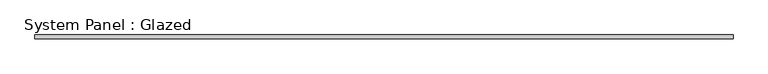
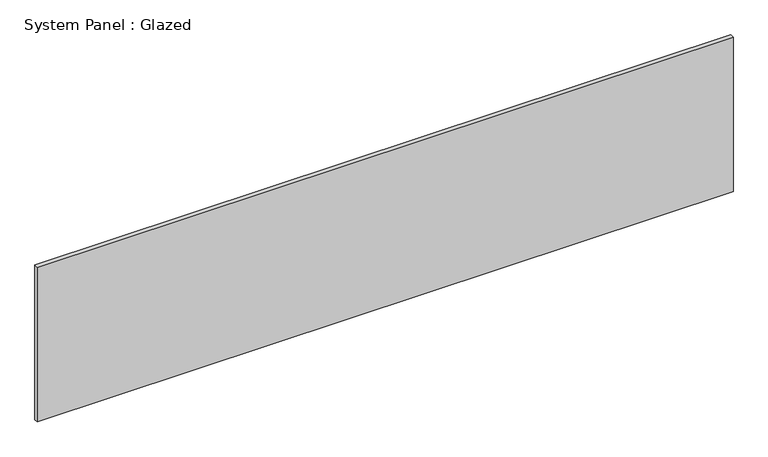
"""IFC4 building model written with IfcOpenShell, lengths in millimetres: plate geometry, System Panel : Glazed."""

from ifc_helpers import new_model, si_unit, origin, origin_with_axes, place, context, project, spatial, polyline, outline, extrude, source, transform, mapped, element, save


def system_panel_glazed_2df53c6e(model_context):
    return source(origin(), model_context, "Body", "SweptSolid", [
        extrude(outline(polyline([(2390.775, 19.05), (-2390.775, 19.05), (-2390.775, 44.45), (2390.775, 44.45), (2390.775, 19.05)])), origin_with_axes(), (0.0, 0.0, 1.0), 1123.95),
    ])


if __name__ == "__main__":
    model = new_model("IFC4")
    model_context = context("Model", 3, world=origin())
    ifc_project = project(units=[si_unit("LENGTHUNIT", "METRE", prefix="MILLI")], contexts=[model_context])
    site = spatial("IfcSite", under=ifc_project)
    building = spatial("IfcBuilding", under=site)
    placement = place(None, origin())
    system_panel_glazed_shape = system_panel_glazed_2df53c6e(model_context)
    element("IfcPlate", 1, ObjectType="System Panel : Glazed", at=placement, inside=building, context=model_context, shape_type="MappedRepresentation", body=[
        mapped(system_panel_glazed_shape, transform((0.0, 0.0, 0.0), x_axis=(1.0, 0.0, 0.0), y_axis=(0.0, 1.0, 0.0), z_axis=(0.0, 0.0, 1.0))),
    ])
    save(model, "model.ifc")
